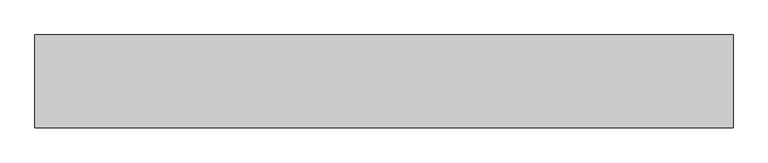
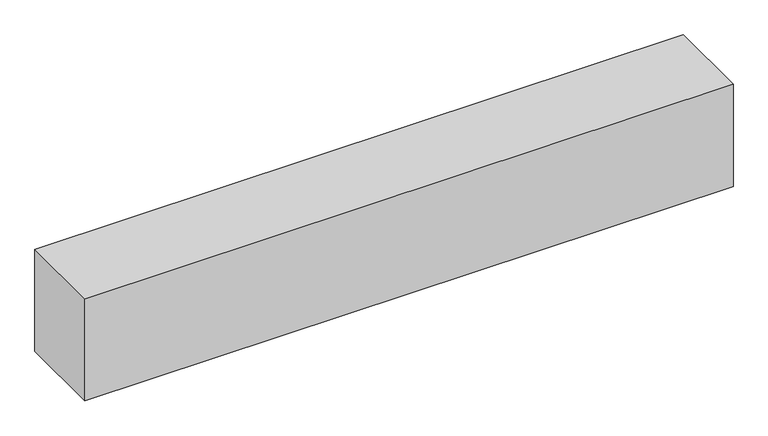
"""IFC4 building model written with IfcOpenShell, lengths in millimetres: beam geometry."""

import ifcopenshell
import ifcopenshell.guid

model = None  # the IFC model being written
_history = None  # IfcOwnerHistory: only IFC2X3 demands one
_inside = {}  # id of a spatial element -> (the spatial element, [elements in it])
_under = {}  # id of a project, library or spatial element -> (it, [spatial elements below it])
_declared = {}  # id of a project -> (the project, [libraries it declares])
_typed = {}  # id of a type object -> (the type object, [elements of that type])
_made_of = {}  # id of a material, layer set ... -> (it, [elements and type objects made of it])


def new_model(schema):
    """Start an empty IFC model of exactly this schema.

    Asked for "IFC4X3", IfcOpenShell would pick the latest addendum, in which some entities
    have other attributes; the version numbers below select the first issue.
    IFC2X3 requires an IfcOwnerHistory on every rooted entity: one is made here for all.
    """
    global model, _history
    if schema == "IFC4X3":
        model = ifcopenshell.file(schema_version=(4, 3, 0, 0))
    else:
        model = ifcopenshell.file(schema=schema)
    _inside.clear()
    _under.clear()
    _declared.clear()
    _typed.clear()
    _made_of.clear()
    _history = None
    if model.schema == "IFC2X3":
        org = make("IfcOrganization", Name="unknown")
        user = make(
            "IfcPersonAndOrganization",
            ThePerson=make("IfcPerson", FamilyName="unknown"),
            TheOrganization=org,
        )
        app = make(
            "IfcApplication",
            ApplicationDeveloper=org,
            Version="unknown",
            ApplicationFullName="unknown",
            ApplicationIdentifier="unknown",
        )
        _history = make(
            "IfcOwnerHistory",
            OwningUser=user,
            OwningApplication=app,
            ChangeAction="ADDED",
            CreationDate=0,
        )
    return model


def make(cls, **values):
    """One entity of the class cls with the attributes given. An attribute that is None is left unset."""
    return model.create_entity(
        cls, **{name: value for name, value in values.items() if value is not None}
    )


def rooted(cls, **values):
    """An entity with a GlobalId (a new one), such as an element, a storey or a relation."""
    return make(cls, GlobalId=ifcopenshell.guid.new(), OwnerHistory=_history, **values)


def si_unit(unit_type, name, prefix=None):
    """IfcSIUnit, for example si_unit("LENGTHUNIT", "METRE", prefix="MILLI")."""
    return make("IfcSIUnit", UnitType=unit_type, Prefix=prefix, Name=name)


def assignment(units):
    """IfcUnitAssignment: the units of a project."""
    return None if units is None else make("IfcUnitAssignment", Units=units)


def point(xyz):
    """IfcCartesianPoint."""
    return None if xyz is None else make("IfcCartesianPoint", Coordinates=xyz)


def direction(xyz):
    """IfcDirection."""
    return None if xyz is None else make("IfcDirection", DirectionRatios=xyz)


def frame(location, z_axis=None, x_axis=None):
    """IfcAxis2Placement3D, a coordinate frame: its origin and axes. An axis left out is left unset."""
    return make(
        "IfcAxis2Placement3D",
        Location=point(location),
        Axis=direction(z_axis),
        RefDirection=direction(x_axis),
    )


def origin():
    """The frame at (0, 0, 0) with its axes left unset."""
    return frame((0.0, 0.0, 0.0))


def origin_with_axes():
    """The frame at (0, 0, 0) with the z axis (0, 0, 1) and the x axis (1, 0, 0) written out."""
    return frame((0.0, 0.0, 0.0), z_axis=(0.0, 0.0, 1.0), x_axis=(1.0, 0.0, 0.0))


def place(relative_to, where):
    """IfcLocalPlacement: puts the frame where relative to a parent placement (None: the world)."""
    return make(
        "IfcLocalPlacement", PlacementRelTo=relative_to, RelativePlacement=where
    )


def context(
    kind, dimensions, precision=None, world=None, true_north=None, identifier=None
):
    """IfcGeometricRepresentationContext, for example the 3D "Model" context."""
    return make(
        "IfcGeometricRepresentationContext",
        ContextIdentifier=identifier,
        ContextType=kind,
        CoordinateSpaceDimension=dimensions,
        Precision=precision,
        WorldCoordinateSystem=world,
        TrueNorth=true_north,
    )


def project(units=None, contexts=None):
    """IfcProject with its units and contexts."""
    return rooted(
        "IfcProject",
        Name="project",
        RepresentationContexts=contexts,
        UnitsInContext=assignment(units),
    )


def spatial(cls, under=None, at=None, **own):
    """A site, building, storey or space (cls), placed at a placement, below another one or the project."""
    s = rooted(cls, ObjectPlacement=at, **own)
    if under is not None:
        _under.setdefault(under.id(), (under, []))[1].append(s)
    return s


def polyline(points):
    """IfcPolyline through the points."""
    return make("IfcPolyline", Points=[point(p) for p in points])


def outline(outer, holes=None, kind="AREA"):
    """IfcArbitraryClosedProfileDef: a profile drawn as a closed curve; with holes, ...WithVoids."""
    if holes is None:
        return make("IfcArbitraryClosedProfileDef", ProfileType=kind, OuterCurve=outer)
    return make(
        "IfcArbitraryProfileDefWithVoids",
        ProfileType=kind,
        OuterCurve=outer,
        InnerCurves=holes,
    )


def extrude(swept, where, along, depth):
    """IfcExtrudedAreaSolid: the profile swept, set in the frame where, extruded along a direction by depth."""
    return make(
        "IfcExtrudedAreaSolid",
        SweptArea=swept,
        Position=where,
        ExtrudedDirection=direction(along),
        Depth=depth,
    )


def shape(context_of_items, identifier, shape_type, items):
    """IfcShapeRepresentation: the items that make up one representation, for example the "Body"."""
    return make(
        "IfcShapeRepresentation",
        ContextOfItems=context_of_items,
        RepresentationIdentifier=identifier,
        RepresentationType=shape_type,
        Items=items,
    )


def source(mapping_origin, context_of_items, identifier, shape_type, items):
    """IfcRepresentationMap: a shape defined once, which mapped items show again and again."""
    return make(
        "IfcRepresentationMap",
        MappingOrigin=mapping_origin,
        MappedRepresentation=shape(context_of_items, identifier, shape_type, items),
    )


def transform(
    local_origin,
    x_axis=None,
    y_axis=None,
    z_axis=None,
    scale=None,
    scale2=None,
    scale3=None,
    uniform=True,
):
    """IfcCartesianTransformationOperator3D, or its non-uniform kind. x_axis, y_axis, z_axis: its Axis1, 2, 3."""
    if uniform:
        return make(
            "IfcCartesianTransformationOperator3D",
            Axis1=direction(x_axis),
            Axis2=direction(y_axis),
            LocalOrigin=point(local_origin),
            Scale=scale,
            Axis3=direction(z_axis),
        )
    return make(
        "IfcCartesianTransformationOperator3DnonUniform",
        Axis1=direction(x_axis),
        Axis2=direction(y_axis),
        LocalOrigin=point(local_origin),
        Scale=scale,
        Axis3=direction(z_axis),
        Scale2=scale2,
        Scale3=scale3,
    )


def mapped(mapping_source, mapping_target):
    """IfcMappedItem: shows the shape of a source again, moved by a transform."""
    return make(
        "IfcMappedItem", MappingSource=mapping_source, MappingTarget=mapping_target
    )


def made_of(thing, what):
    """Note that an element or type object is made of a material, layer set ...; save() writes the relation."""
    if what is not None:
        _made_of.setdefault(what.id(), (what, []))[1].append(thing)
    return thing


def element(
    cls,
    number,
    at=None,
    inside=None,
    cuts=None,
    type_object=None,
    material=None,
    context=None,
    identifier="Body",
    shape_type=None,
    held_by="IfcProductDefinitionShape",
    body=None,
    shapes=None,
    **own,
):
    """One element of the class cls, such as IfcWall. Its Tag is "e" and its number.

    at: its placement. inside: the storey or other place that contains it. cuts: it is an
    opening in that element (IfcRelVoidsElement). A single representation is given by context,
    identifier, shape_type and body (its items); several are given by shapes. held_by: the class
    of the entity that holds the representations. save() writes the other relations.
    """
    e = rooted(cls, Tag="e%d" % number, ObjectPlacement=at, **own)
    if body is not None:
        shapes = [shape(context, identifier, shape_type, body)]
    if shapes is not None:
        e.Representation = make(held_by, Representations=shapes)
    if inside is not None:
        _inside.setdefault(inside.id(), (inside, []))[1].append(e)
    if cuts is not None:
        rooted(
            "IfcRelVoidsElement", RelatingBuildingElement=cuts, RelatedOpeningElement=e
        )
    if type_object is not None:
        _typed.setdefault(type_object.id(), (type_object, []))[1].append(e)
    return made_of(e, material)


def aggregate(whole, parts):
    """IfcRelAggregates: a whole, such as a stair, and the parts it consists of."""
    return rooted("IfcRelAggregates", RelatingObject=whole, RelatedObjects=parts)


def save(model, path):
    """Write the relations noted so far, then the file.

    IfcRelAggregates (storeys below a building ...), IfcRelContainedInSpatialStructure (elements
    in a storey), IfcRelDefinesByType, IfcRelAssociatesMaterial and IfcRelDeclares: one each for
    every whole, place, type object, material and project.
    """
    for whole, parts in _under.values():
        aggregate(whole, parts)
    for where, things in _inside.values():
        rooted(
            "IfcRelContainedInSpatialStructure",
            RelatedElements=things,
            RelatingStructure=where,
        )
    for kind, things in _typed.values():
        rooted("IfcRelDefinesByType", RelatedObjects=things, RelatingType=kind)
    for what, things in _made_of.values():
        rooted("IfcRelAssociatesMaterial", RelatedObjects=things, RelatingMaterial=what)
    for by, libraries in _declared.values():
        rooted("IfcRelDeclares", RelatingContext=by, RelatedDefinitions=libraries)
    model.write(path)


def beam_165dd293(model_context):
    return source(origin(), model_context, "Body", "SweptSolid", [
        extrude(outline(polyline([(750.0, -100.0), (-750.0, -100.0), (-750.0, 100.0), (750.0, 100.0), (750.0, -100.0)])), origin_with_axes(), (0.0, 0.0, 1.0), 250.0),
    ])


if __name__ == "__main__":
    model = new_model("IFC4")
    model_context = context("Model", 3, world=origin())
    ifc_project = project(units=[si_unit("LENGTHUNIT", "METRE", prefix="MILLI")], contexts=[model_context])
    site = spatial("IfcSite", under=ifc_project)
    building = spatial("IfcBuilding", under=site)
    placement = place(None, origin())
    beam_shape = beam_165dd293(model_context)
    element("IfcBeam", 1, at=placement, inside=building, context=model_context, shape_type="MappedRepresentation", body=[
        mapped(beam_shape, transform((0.0, 0.0, 0.0), x_axis=(1.0, 0.0, 0.0), y_axis=(0.0, 1.0, 0.0), z_axis=(0.0, 0.0, 1.0))),
    ])
    save(model, "model.ifc")
